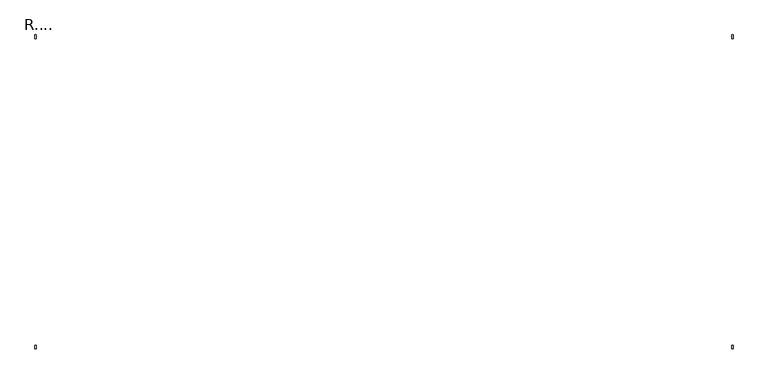
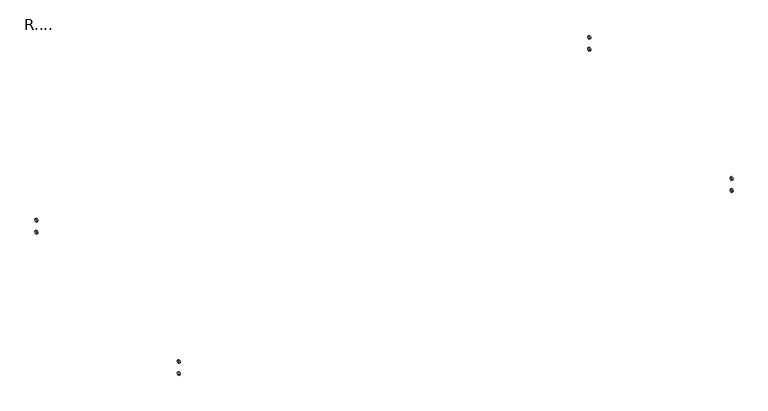
"""IFC4 building model written with IfcOpenShell, lengths in millimetres: proxy geometry, R....."""

from ifc_helpers import new_model, si_unit, point, frame, frame_2d, origin, place, context, project, spatial, circle_curve, trimmed, segment, composite_curve, outline, extrude, source, transform, mapped, element, save


def r_06dacb77(model_context):
    return source(origin(), model_context, "Body", "SweptSolid", [
        extrude(outline(composite_curve([segment(trimmed(circle_curve(frame_2d((360.5, 589.9)), 4.2496929), [point((364.7496929, 589.9))], [point((356.2503071, 589.9))], False, "CARTESIAN"), True, "CONTINUOUS"), segment(trimmed(circle_curve(frame_2d((360.5, 589.9)), 4.2496929), [point((356.2503071, 589.9))], [point((364.7496929, 589.9))], False, "CARTESIAN"), True, "CONTINUOUS")], self_intersect=False)), frame((806.85, 0.0, 0.0), z_axis=(1.0, 0.0, 0.0), x_axis=(0.0, 1.0, 0.0)), (0.0, 0.0, 1.0), 3.509008),
        extrude(outline(composite_curve([segment(trimmed(circle_curve(frame_2d((360.5, 552.9)), 4.2496929), [point((364.7496929, 552.9))], [point((356.2503071, 552.9))], False, "CARTESIAN"), True, "CONTINUOUS"), segment(trimmed(circle_curve(frame_2d((360.5, 552.9)), 4.2496929), [point((356.2503071, 552.9))], [point((364.7496929, 552.9))], False, "CARTESIAN"), True, "CONTINUOUS")], self_intersect=False)), frame((806.85, 0.0, 0.0), z_axis=(1.0, 0.0, 0.0), x_axis=(0.0, 1.0, 0.0)), (0.0, 0.0, 1.0), 3.509008),
        extrude(outline(composite_curve([segment(trimmed(circle_curve(frame_2d((-361.5, 589.9)), 4.2496929), [point((-357.2503071, 589.9))], [point((-365.7496929, 589.9))], False, "CARTESIAN"), True, "CONTINUOUS"), segment(trimmed(circle_curve(frame_2d((-361.5, 589.9)), 4.2496929), [point((-365.7496929, 589.9))], [point((-357.2503071, 589.9))], False, "CARTESIAN"), True, "CONTINUOUS")], self_intersect=False)), frame((806.85, 0.0, 0.0), z_axis=(1.0, 0.0, 0.0), x_axis=(0.0, 1.0, 0.0)), (0.0, 0.0, 1.0), 3.509008),
        extrude(outline(composite_curve([segment(trimmed(circle_curve(frame_2d((-361.5, 552.9)), 4.2496929), [point((-357.2503071, 552.9))], [point((-365.7496929, 552.9))], False, "CARTESIAN"), True, "CONTINUOUS"), segment(trimmed(circle_curve(frame_2d((-361.5, 552.9)), 4.2496929), [point((-365.7496929, 552.9))], [point((-357.2503071, 552.9))], False, "CARTESIAN"), True, "CONTINUOUS")], self_intersect=False)), frame((806.85, 0.0, 0.0), z_axis=(1.0, 0.0, 0.0), x_axis=(0.0, 1.0, 0.0)), (0.0, 0.0, 1.0), 3.509008),
        extrude(outline(composite_curve([segment(trimmed(circle_curve(frame_2d((360.5, 589.9)), 4.2496929), [point((364.7496929, 589.9))], [point((356.2503071, 589.9))], False, "CARTESIAN"), True, "CONTINUOUS"), segment(trimmed(circle_curve(frame_2d((360.5, 589.9)), 4.2496929), [point((356.2503071, 589.9))], [point((364.7496929, 589.9))], False, "CARTESIAN"), True, "CONTINUOUS")], self_intersect=False)), frame((-811.659008, 0.0, 0.0), z_axis=(1.0, 0.0, 0.0), x_axis=(0.0, 1.0, 0.0)), (0.0, 0.0, 1.0), 3.509008),
        extrude(outline(composite_curve([segment(trimmed(circle_curve(frame_2d((360.5, 552.9)), 4.2496929), [point((364.7496929, 552.9))], [point((356.2503071, 552.9))], False, "CARTESIAN"), True, "CONTINUOUS"), segment(trimmed(circle_curve(frame_2d((360.5, 552.9)), 4.2496929), [point((356.2503071, 552.9))], [point((364.7496929, 552.9))], False, "CARTESIAN"), True, "CONTINUOUS")], self_intersect=False)), frame((-811.659008, 0.0, 0.0), z_axis=(1.0, 0.0, 0.0), x_axis=(0.0, 1.0, 0.0)), (0.0, 0.0, 1.0), 3.509008),
        extrude(outline(composite_curve([segment(trimmed(circle_curve(frame_2d((-361.5, 589.9)), 4.2496929), [point((-357.2503071, 589.9))], [point((-365.7496929, 589.9))], False, "CARTESIAN"), True, "CONTINUOUS"), segment(trimmed(circle_curve(frame_2d((-361.5, 589.9)), 4.2496929), [point((-365.7496929, 589.9))], [point((-357.2503071, 589.9))], False, "CARTESIAN"), True, "CONTINUOUS")], self_intersect=False)), frame((-811.659008, 0.0, 0.0), z_axis=(1.0, 0.0, 0.0), x_axis=(0.0, 1.0, 0.0)), (0.0, 0.0, 1.0), 3.509008),
        extrude(outline(composite_curve([segment(trimmed(circle_curve(frame_2d((-361.5, 552.9)), 4.2496929), [point((-357.2503071, 552.9))], [point((-365.7496929, 552.9))], False, "CARTESIAN"), True, "CONTINUOUS"), segment(trimmed(circle_curve(frame_2d((-361.5, 552.9)), 4.2496929), [point((-365.7496929, 552.9))], [point((-357.2503071, 552.9))], False, "CARTESIAN"), True, "CONTINUOUS")], self_intersect=False)), frame((-811.659008, 0.0, 0.0), z_axis=(1.0, 0.0, 0.0), x_axis=(0.0, 1.0, 0.0)), (0.0, 0.0, 1.0), 3.509008),
    ])


if __name__ == "__main__":
    model = new_model("IFC4")
    model_context = context("Model", 3, world=origin())
    ifc_project = project(units=[si_unit("LENGTHUNIT", "METRE", prefix="MILLI")], contexts=[model_context])
    site = spatial("IfcSite", under=ifc_project)
    building = spatial("IfcBuilding", under=site)
    placement = place(None, origin())
    r_shape = r_06dacb77(model_context)
    element("IfcBuildingElementProxy", 1, Name="R....", ObjectType="R....", at=placement, inside=building, context=model_context, shape_type="MappedRepresentation", body=[
        mapped(r_shape, transform((0.0, 0.0, 0.0), x_axis=(1.0, 0.0, 0.0), y_axis=(0.0, 1.0, 0.0), z_axis=(0.0, 0.0, 1.0))),
    ])
    save(model, "model.ifc")
